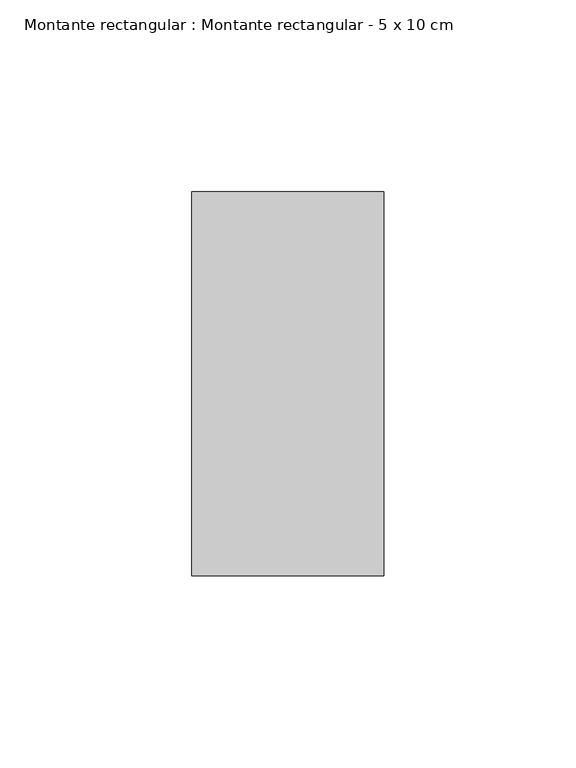
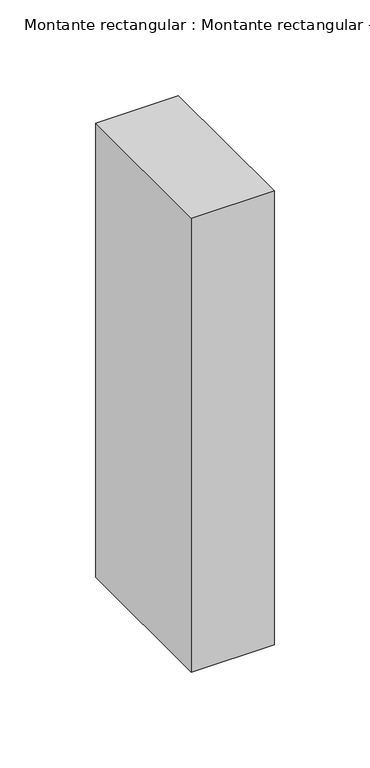
"""IFC4 building model written with IfcOpenShell, lengths in millimetres: member geometry, Montante rectangular : Montante rectangular - 5 x 10 cm."""

from ifc_helpers import new_model, si_unit, frame, origin, place, context, project, spatial, polyline, outline, extrude, source, transform, mapped, element, save


def montante_rectangular_montante_rectangular_5_x_10_cm_e49ccd5c(model_context):
    return source(origin(), model_context, "Body", "SweptSolid", [
        extrude(outline(polyline([(0.0, 50.0), (0.0, -50.0), (-50.0, -50.0), (-50.0, 50.0), (0.0, 50.0)])), frame((0.0, 0.0, -290.0), z_axis=(0.0, 0.0, 1.0), x_axis=(1.0, 0.0, 0.0)), (0.0, 0.0, 1.0), 290.0),
    ])


if __name__ == "__main__":
    model = new_model("IFC4")
    model_context = context("Model", 3, world=origin())
    ifc_project = project(units=[si_unit("LENGTHUNIT", "METRE", prefix="MILLI")], contexts=[model_context])
    site = spatial("IfcSite", under=ifc_project)
    building = spatial("IfcBuilding", under=site)
    placement = place(None, origin())
    montante_rectangular_montante_rectangular_5_x_10_cm_shape = montante_rectangular_montante_rectangular_5_x_10_cm_e49ccd5c(model_context)
    element("IfcMember", 1, ObjectType="Montante rectangular : Montante rectangular - 5 x 10 cm", at=placement, inside=building, context=model_context, shape_type="MappedRepresentation", body=[
        mapped(montante_rectangular_montante_rectangular_5_x_10_cm_shape, transform((0.0, 0.0, 0.0), x_axis=(1.0, 0.0, 0.0), y_axis=(0.0, 1.0, 0.0), z_axis=(0.0, 0.0, 1.0))),
    ])
    save(model, "model.ifc")
